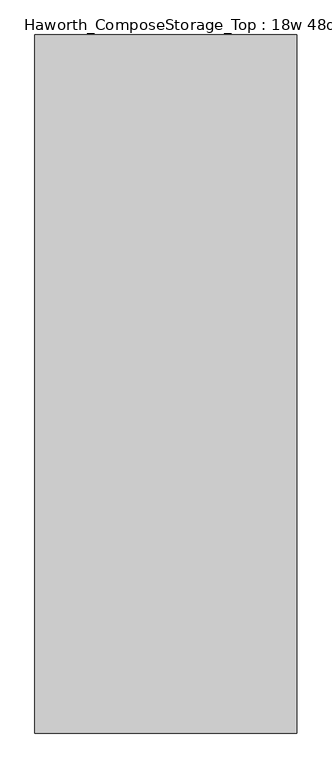
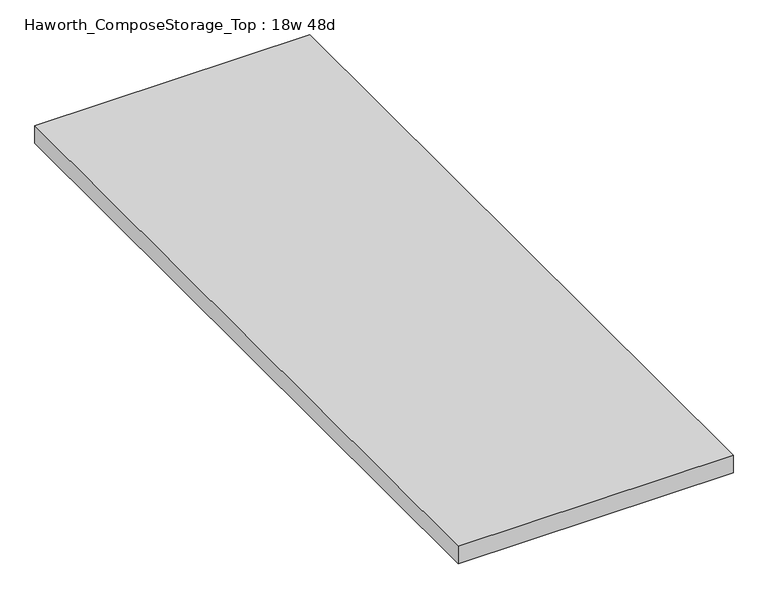
"""IFC4 building model written with IfcOpenShell, lengths in millimetres: furniture geometry, Haworth_ComposeStorage_Top : 18w 48d."""

from ifc_helpers import new_model, si_unit, frame, origin, place, context, project, spatial, polyline, outline, extrude, source, transform, mapped, element, save


def haworth_composestorage_top_18w_48d_d1703479(model_context):
    return source(origin(), model_context, "Body", "SweptSolid", [
        extrude(outline(polyline([(228.6, 609.6), (228.6, -609.6), (-228.6, -609.6), (-228.6, 609.6), (228.6, 609.6)])), frame((0.0, 0.0, 706.4375), z_axis=(0.0, 0.0, 1.0), x_axis=(1.0, 0.0, 0.0)), (0.0, 0.0, 1.0), 30.1625),
    ])


if __name__ == "__main__":
    model = new_model("IFC4")
    model_context = context("Model", 3, world=origin())
    ifc_project = project(units=[si_unit("LENGTHUNIT", "METRE", prefix="MILLI")], contexts=[model_context])
    site = spatial("IfcSite", under=ifc_project)
    building = spatial("IfcBuilding", under=site)
    placement = place(None, origin())
    haworth_composestorage_top_18w_48d_shape = haworth_composestorage_top_18w_48d_d1703479(model_context)
    element("IfcFurniture", 1, ObjectType="Haworth_ComposeStorage_Top : 18w 48d", at=placement, inside=building, context=model_context, shape_type="MappedRepresentation", body=[
        mapped(haworth_composestorage_top_18w_48d_shape, transform((0.0, 0.0, 0.0), x_axis=(1.0, 0.0, 0.0), y_axis=(0.0, 1.0, 0.0), z_axis=(0.0, 0.0, 1.0))),
    ])
    save(model, "model.ifc")
